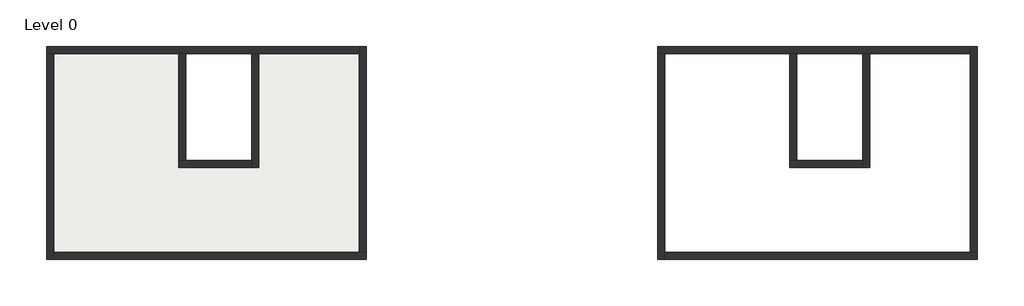
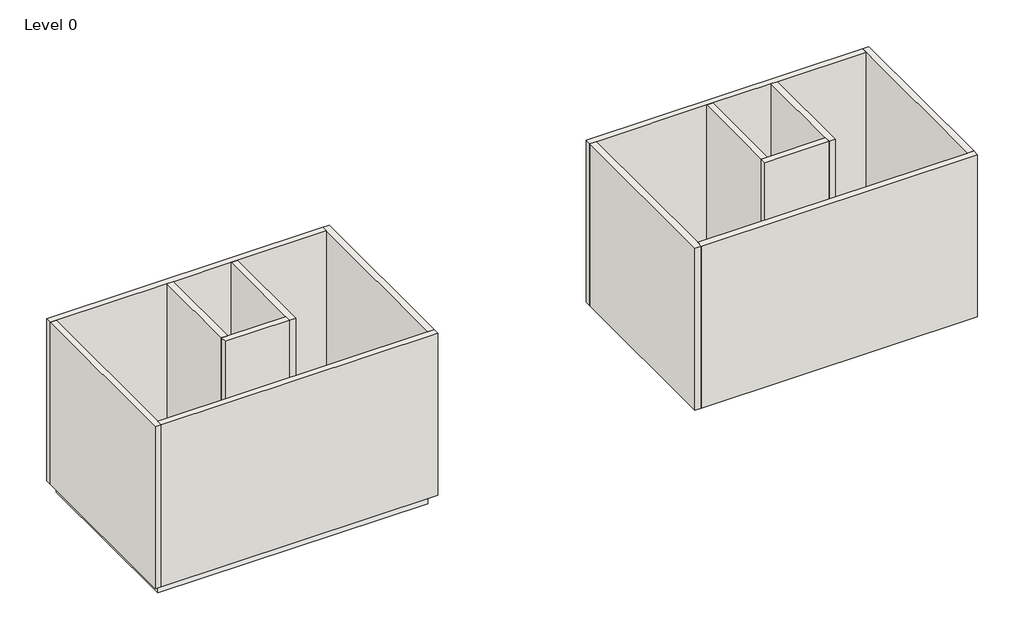
# One storey: 14 walls, 1 slab.
"""IFC4 building model written with IfcOpenShell, lengths in millimetres."""

from ifc_helpers import new_model, si_unit, frame, origin, origin_with_axes, place, context, project, spatial, polyline, outline, extrude, faceted_brep, element, save

model = new_model("IFC4")

# Units and contexts
model_context = context("Model", 3, world=origin())
ifc_project = project(units=[si_unit("LENGTHUNIT", "METRE", prefix="MILLI")], contexts=[model_context])

# Site, building, storey
site = spatial("IfcSite", under=ifc_project)
building = spatial("IfcBuilding", under=site)
storey = spatial("IfcBuildingStorey", under=building, Name="Level 0", Elevation=0.0)

# Slab
placement = place(None, origin())
element("IfcSlab", 1, at=placement, inside=storey, context=model_context, shape_type="SweptSolid", body=[
    extrude(outline(polyline([(-8086.6656091, 5082.1990866), (-2921.6656091, 5082.1990866), (-2921.6656091, 382.1990866), (368.3343909, 382.1990866), (368.3343909, 5082.1990866), (4523.3343909, 5082.1990866), (4523.3343909, -3127.8009134), (-8086.6656091, -3127.8009134), (-8086.6656091, 5082.1990866)])), frame((0.0, 0.0, -480.0), z_axis=(0.0, 0.0, 1.0), x_axis=(1.0, 0.0, 0.0)), (0.0, 0.0, 1.0), 480.0),
])

# Walls
element("IfcWall", 2, at=placement, inside=storey, context=model_context, shape_type="Brep", body=[
    faceted_brep([(-8376.6656091, 5082.1990866, 0.0), (-8086.6656091, 5082.1990866, 0.0), (-2921.6656091, 5082.1990866, 0.0), (-2631.6656091, 5082.1990866, 0.0), (78.3343909, 5082.1990866, 0.0), (368.3343909, 5082.1990866, 0.0), (4523.3343909, 5082.1990866, 0.0), (4523.3343909, 5082.1990866, 8000.0), (368.3343909, 5082.1990866, 8000.0), (78.3343909, 5082.1990866, 8000.0), (-2631.6656091, 5082.1990866, 8000.0), (-2921.6656091, 5082.1990866, 8000.0), (-8086.6656091, 5082.1990866, 8000.0), (-8376.6656091, 5082.1990866, 8000.0), (-8376.6656091, 5372.1990866, 0.0), (-8376.6656091, 5372.1990866, 8000.0), (4523.3343909, 5372.1990866, 8000.0), (4523.3343909, 5372.1990866, 0.0)], [[[0, 1, 2, 3, 4, 5, 6, 7, 8, 9, 10, 11, 12, 13]], [[14, 15, 16, 17]], [[6, 5, 4, 3, 2, 1, 0, 14, 17]], [[13, 12, 11, 10, 9, 8, 7, 16, 15]], [[0, 13, 15, 14]], [[7, 6, 17, 16]]]),
])
element("IfcWall", 3, at=placement, inside=storey, context=model_context, shape_type="Brep", body=[
    faceted_brep([(-8086.6656091, -3417.8009134, 0.0), (-8086.6656091, -3127.8009134, 0.0), (-8086.6656091, 5082.1990866, 0.0), (-8086.6656091, 5082.1990866, 8000.0), (-8086.6656091, -3127.8009134, 8000.0), (-8086.6656091, -3417.8009134, 8000.0), (-8376.6656091, -3417.8009134, 0.0), (-8376.6656091, -3417.8009134, 8000.0), (-8376.6656091, 5082.1990866, 8000.0), (-8376.6656091, 5082.1990866, 0.0)], [[[0, 1, 2, 3, 4, 5]], [[6, 7, 8, 9]], [[2, 1, 0, 6, 9]], [[5, 4, 3, 8, 7]], [[0, 5, 7, 6]], [[3, 2, 9, 8]]]),
])
element("IfcWall", 4, at=placement, inside=storey, context=model_context, shape_type="Brep", body=[
    faceted_brep([(4813.3343909, -3127.8009134, 0.0), (4523.3343909, -3127.8009134, 0.0), (-8086.6656091, -3127.8009134, 0.0), (-8086.6656091, -3127.8009134, 8000.0), (4523.3343909, -3127.8009134, 8000.0), (4813.3343909, -3127.8009134, 8000.0), (4813.3343909, -3417.8009134, 0.0), (4813.3343909, -3417.8009134, 8000.0), (-8086.6656091, -3417.8009134, 8000.0), (-8086.6656091, -3417.8009134, 0.0)], [[[0, 1, 2, 3, 4, 5]], [[6, 7, 8, 9]], [[2, 1, 0, 6, 9]], [[5, 4, 3, 8, 7]], [[0, 5, 7, 6]], [[3, 2, 9, 8]]]),
])
element("IfcWall", 5, at=placement, inside=storey, context=model_context, shape_type="Brep", body=[
    faceted_brep([(4523.3343909, 5372.1990866, 0.0), (4523.3343909, 5082.1990866, 0.0), (4523.3343909, -3127.8009134, 0.0), (4523.3343909, -3127.8009134, 8000.0), (4523.3343909, 5082.1990866, 8000.0), (4523.3343909, 5372.1990866, 8000.0), (4813.3343909, 5372.1990866, 0.0), (4813.3343909, 5372.1990866, 8000.0), (4813.3343909, -3127.8009134, 8000.0), (4813.3343909, -3127.8009134, 0.0)], [[[0, 1, 2, 3, 4, 5]], [[6, 7, 8, 9]], [[2, 1, 0, 6, 9]], [[5, 4, 3, 8, 7]], [[0, 5, 7, 6]], [[3, 2, 9, 8]]]),
])
element("IfcWall", 6, at=placement, inside=storey, context=model_context, shape_type="Brep", body=[
    faceted_brep([(78.3343909, 5082.1990866, 0.0), (78.3343909, 672.1990866, 0.0), (78.3343909, 382.1990866, 0.0), (78.3343909, 382.1990866, 8000.0), (78.3343909, 672.1990866, 8000.0), (78.3343909, 5082.1990866, 8000.0), (368.3343909, 5082.1990866, 0.0), (368.3343909, 5082.1990866, 8000.0), (368.3343909, 382.1990866, 8000.0), (368.3343909, 382.1990866, 0.0)], [[[0, 1, 2, 3, 4, 5]], [[6, 7, 8, 9]], [[2, 1, 0, 6, 9]], [[5, 4, 3, 8, 7]], [[0, 5, 7, 6]], [[3, 2, 9, 8]]]),
])
element("IfcWall", 7, at=placement, inside=storey, context=model_context, shape_type="Brep", body=[
    faceted_brep([(78.3343909, 672.1990866, 0.0), (-2631.6656091, 672.1990866, 0.0), (-2921.6656091, 672.1990866, 0.0), (-2921.6656091, 672.1990866, 8000.0), (-2631.6656091, 672.1990866, 8000.0), (78.3343909, 672.1990866, 8000.0), (78.3343909, 382.1990866, 0.0), (78.3343909, 382.1990866, 8000.0), (-2921.6656091, 382.1990866, 8000.0), (-2921.6656091, 382.1990866, 0.0)], [[[0, 1, 2, 3, 4, 5]], [[6, 7, 8, 9]], [[2, 1, 0, 6, 9]], [[5, 4, 3, 8, 7]], [[0, 5, 7, 6]], [[3, 2, 9, 8]]]),
])
element("IfcWall", 8, at=placement, inside=storey, context=model_context, shape_type="SweptSolid", body=[
    extrude(outline(polyline([(-2631.6656091, 5082.1990866), (-2631.6656091, 672.1990866), (-2921.6656091, 672.1990866), (-2921.6656091, 5082.1990866), (-2631.6656091, 5082.1990866)])), origin_with_axes(), (0.0, 0.0, 1.0), 8000.0),
])
element("IfcWall", 9, at=placement, inside=storey, context=model_context, shape_type="Brep", body=[
    faceted_brep([(16823.3343909, 5082.1990866, 0.0), (17113.3343909, 5082.1990866, 0.0), (22278.3343909, 5082.1990866, 0.0), (22568.3343909, 5082.1990866, 0.0), (25278.3343909, 5082.1990866, 0.0), (25568.3343909, 5082.1990866, 0.0), (29723.3343909, 5082.1990866, 0.0), (29723.3343909, 5082.1990866, 8000.0), (25568.3343909, 5082.1990866, 8000.0), (25278.3343909, 5082.1990866, 8000.0), (22568.3343909, 5082.1990866, 8000.0), (22278.3343909, 5082.1990866, 8000.0), (17113.3343909, 5082.1990866, 8000.0), (16823.3343909, 5082.1990866, 8000.0), (16823.3343909, 5372.1990866, 0.0), (16823.3343909, 5372.1990866, 8000.0), (29723.3343909, 5372.1990866, 8000.0), (29723.3343909, 5372.1990866, 0.0)], [[[0, 1, 2, 3, 4, 5, 6, 7, 8, 9, 10, 11, 12, 13]], [[14, 15, 16, 17]], [[6, 5, 4, 3, 2, 1, 0, 14, 17]], [[13, 12, 11, 10, 9, 8, 7, 16, 15]], [[0, 13, 15, 14]], [[7, 6, 17, 16]]]),
])
element("IfcWall", 10, at=placement, inside=storey, context=model_context, shape_type="Brep", body=[
    faceted_brep([(17113.3343909, -3417.8009134, 0.0), (17113.3343909, -3127.8009134, 0.0), (17113.3343909, 5082.1990866, 0.0), (17113.3343909, 5082.1990866, 8000.0), (17113.3343909, -3127.8009134, 8000.0), (17113.3343909, -3417.8009134, 8000.0), (16823.3343909, -3417.8009134, 0.0), (16823.3343909, -3417.8009134, 8000.0), (16823.3343909, 5082.1990866, 8000.0), (16823.3343909, 5082.1990866, 0.0)], [[[0, 1, 2, 3, 4, 5]], [[6, 7, 8, 9]], [[2, 1, 0, 6, 9]], [[5, 4, 3, 8, 7]], [[0, 5, 7, 6]], [[3, 2, 9, 8]]]),
])
element("IfcWall", 11, at=placement, inside=storey, context=model_context, shape_type="Brep", body=[
    faceted_brep([(30013.3343909, -3127.8009134, 0.0), (29723.3343909, -3127.8009134, 0.0), (17113.3343909, -3127.8009134, 0.0), (17113.3343909, -3127.8009134, 8000.0), (29723.3343909, -3127.8009134, 8000.0), (30013.3343909, -3127.8009134, 8000.0), (30013.3343909, -3417.8009134, 0.0), (30013.3343909, -3417.8009134, 8000.0), (17113.3343909, -3417.8009134, 8000.0), (17113.3343909, -3417.8009134, 0.0)], [[[0, 1, 2, 3, 4, 5]], [[6, 7, 8, 9]], [[2, 1, 0, 6, 9]], [[5, 4, 3, 8, 7]], [[0, 5, 7, 6]], [[3, 2, 9, 8]]]),
])
element("IfcWall", 12, at=placement, inside=storey, context=model_context, shape_type="Brep", body=[
    faceted_brep([(29723.3343909, 5372.1990866, 0.0), (29723.3343909, 5082.1990866, 0.0), (29723.3343909, -3127.8009134, 0.0), (29723.3343909, -3127.8009134, 8000.0), (29723.3343909, 5082.1990866, 8000.0), (29723.3343909, 5372.1990866, 8000.0), (30013.3343909, 5372.1990866, 0.0), (30013.3343909, 5372.1990866, 8000.0), (30013.3343909, -3127.8009134, 8000.0), (30013.3343909, -3127.8009134, 0.0)], [[[0, 1, 2, 3, 4, 5]], [[6, 7, 8, 9]], [[2, 1, 0, 6, 9]], [[5, 4, 3, 8, 7]], [[0, 5, 7, 6]], [[3, 2, 9, 8]]]),
])
element("IfcWall", 13, at=placement, inside=storey, context=model_context, shape_type="Brep", body=[
    faceted_brep([(25278.3343909, 5082.1990866, 0.0), (25278.3343909, 672.1990866, 0.0), (25278.3343909, 382.1990866, 0.0), (25278.3343909, 382.1990866, 8000.0), (25278.3343909, 672.1990866, 8000.0), (25278.3343909, 5082.1990866, 8000.0), (25568.3343909, 5082.1990866, 0.0), (25568.3343909, 5082.1990866, 8000.0), (25568.3343909, 382.1990866, 8000.0), (25568.3343909, 382.1990866, 0.0)], [[[0, 1, 2, 3, 4, 5]], [[6, 7, 8, 9]], [[2, 1, 0, 6, 9]], [[5, 4, 3, 8, 7]], [[0, 5, 7, 6]], [[3, 2, 9, 8]]]),
])
element("IfcWall", 14, at=placement, inside=storey, context=model_context, shape_type="Brep", body=[
    faceted_brep([(25278.3343909, 672.1990866, 0.0), (22568.3343909, 672.1990866, 0.0), (22278.3343909, 672.1990866, 0.0), (22278.3343909, 672.1990866, 8000.0), (22568.3343909, 672.1990866, 8000.0), (25278.3343909, 672.1990866, 8000.0), (25278.3343909, 382.1990866, 0.0), (25278.3343909, 382.1990866, 8000.0), (22278.3343909, 382.1990866, 8000.0), (22278.3343909, 382.1990866, 0.0)], [[[0, 1, 2, 3, 4, 5]], [[6, 7, 8, 9]], [[2, 1, 0, 6, 9]], [[5, 4, 3, 8, 7]], [[0, 5, 7, 6]], [[3, 2, 9, 8]]]),
])
element("IfcWall", 15, at=placement, inside=storey, context=model_context, shape_type="SweptSolid", body=[
    extrude(outline(polyline([(22568.3343909, 5082.1990866), (22568.3343909, 672.1990866), (22278.3343909, 672.1990866), (22278.3343909, 5082.1990866), (22568.3343909, 5082.1990866)])), origin_with_axes(), (0.0, 0.0, 1.0), 8000.0),
])

save(model, "model.ifc")
